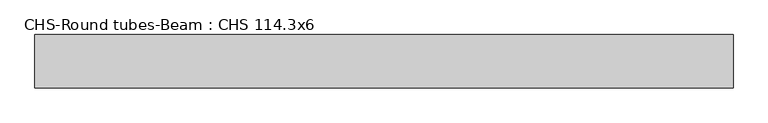
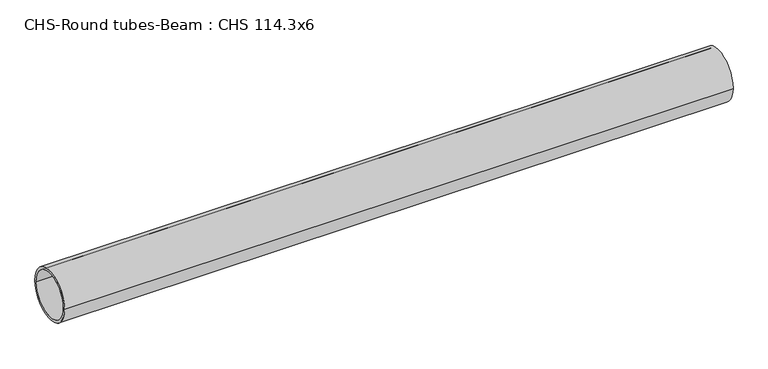
"""IFC4 building model written with IfcOpenShell, lengths in millimetres: beam geometry, CHS-Round tubes-Beam : CHS 114.3x6."""

from ifc_helpers import new_model, si_unit, point, frame, origin, origin_2d, place, context, project, spatial, circle_curve, trimmed, segment, composite_curve, outline, extrude, source, transform, mapped, element, save


def chs_round_tubes_beam_chs_114_3x6_fd34ecfc(model_context):
    return source(origin(), model_context, "Body", "SweptSolid", [
        extrude(outline(composite_curve([segment(trimmed(circle_curve(origin_2d(), 57.15), [point((57.15, 0.0))], [point((-57.15, 0.0))], False, "CARTESIAN"), True, "CONTINUOUS"), segment(trimmed(circle_curve(origin_2d(), 57.15), [point((-57.15, 0.0))], [point((57.15, 0.0))], False, "CARTESIAN"), True, "CONTINUOUS")], self_intersect=False), holes=[composite_curve([segment(trimmed(circle_curve(origin_2d(), 51.15), [point((51.15, 0.0))], [point((-51.15, 0.0))], True, "CARTESIAN"), True, "CONTINUOUS"), segment(trimmed(circle_curve(origin_2d(), 51.15), [point((-51.15, 0.0))], [point((51.15, 0.0))], True, "CARTESIAN"), True, "CONTINUOUS")], self_intersect=False)]), frame((-742.6826123, 0.0, 0.0), z_axis=(1.0, 0.0, 0.0), x_axis=(0.0, 1.0, 0.0)), (0.0, 0.0, 1.0), 1492.2047506),
    ])


if __name__ == "__main__":
    model = new_model("IFC4")
    model_context = context("Model", 3, world=origin())
    ifc_project = project(units=[si_unit("LENGTHUNIT", "METRE", prefix="MILLI")], contexts=[model_context])
    site = spatial("IfcSite", under=ifc_project)
    building = spatial("IfcBuilding", under=site)
    placement = place(None, origin())
    chs_round_tubes_beam_chs_114_3x6_shape = chs_round_tubes_beam_chs_114_3x6_fd34ecfc(model_context)
    element("IfcBeam", 1, ObjectType="CHS-Round tubes-Beam : CHS 114.3x6", at=placement, inside=building, context=model_context, shape_type="MappedRepresentation", body=[
        mapped(chs_round_tubes_beam_chs_114_3x6_shape, transform((0.0, 0.0, 0.0), x_axis=(1.0, 0.0, 0.0), y_axis=(0.0, 1.0, 0.0), z_axis=(0.0, 0.0, 1.0))),
    ])
    save(model, "model.ifc")
